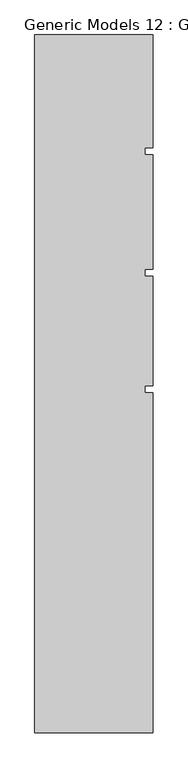
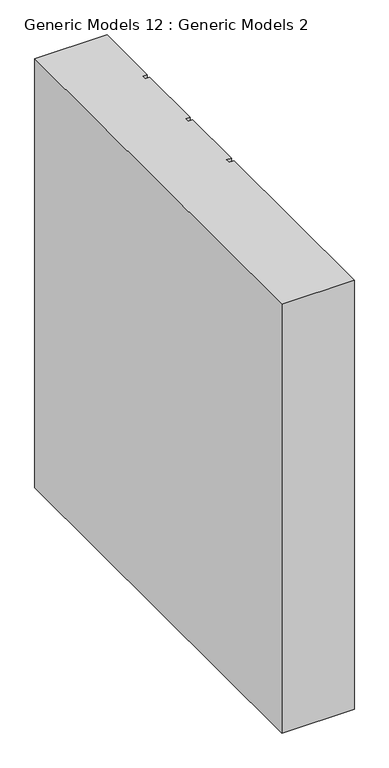
"""IFC4 building model written with IfcOpenShell, lengths in millimetres: proxy geometry, Generic Models 12 : Generic Models 2."""

from ifc_helpers import new_model, si_unit, frame, origin, place, context, project, spatial, polyline, outline, extrude, source, transform, mapped, element, save


def generic_models_12_generic_models_2_bc4207f9(model_context):
    return source(origin(), model_context, "Body", "SweptSolid", [
        extrude(outline(polyline([(5233.0647246, -12592.9629303), (5720.1069397, -12592.9629303), (5720.1069397, -13057.3723427), (5688.4644391, -13057.3723427), (5688.4644391, -13087.4057756), (5720.1069397, -13087.4057756), (5720.1069397, -13557.3723427), (5688.4644391, -13557.3723427), (5688.4644391, -13587.4057756), (5720.1069397, -13587.4057756), (5720.1069397, -14037.3723427), (5688.4644391, -14037.3723427), (5688.4644391, -14067.4057756), (5720.1069397, -14067.4057756), (5720.1069397, -15468.6154552), (5233.0647246, -15468.6154552), (5233.0647246, -12592.9629303)])), frame((0.0, 0.0, 6000.0), z_axis=(0.0, 0.0, 1.0), x_axis=(1.0, 0.0, 0.0)), (0.0, 0.0, 1.0), 3044.7067261),
    ])


if __name__ == "__main__":
    model = new_model("IFC4")
    model_context = context("Model", 3, world=origin())
    ifc_project = project(units=[si_unit("LENGTHUNIT", "METRE", prefix="MILLI")], contexts=[model_context])
    site = spatial("IfcSite", under=ifc_project)
    building = spatial("IfcBuilding", under=site)
    placement = place(None, origin())
    generic_models_12_generic_models_2_shape = generic_models_12_generic_models_2_bc4207f9(model_context)
    element("IfcBuildingElementProxy", 1, Name="Generic Models 12 : Generic Models 2", ObjectType="Generic Models 12 : Generic Models 2", at=placement, inside=building, context=model_context, shape_type="MappedRepresentation", body=[
        mapped(generic_models_12_generic_models_2_shape, transform((0.0, 0.0, 0.0), x_axis=(1.0, 0.0, 0.0), y_axis=(0.0, 1.0, 0.0), z_axis=(0.0, 0.0, 1.0))),
    ])
    save(model, "model.ifc")
